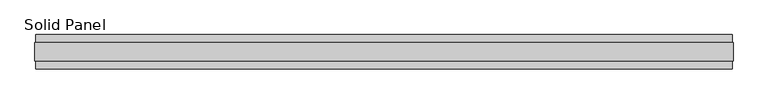
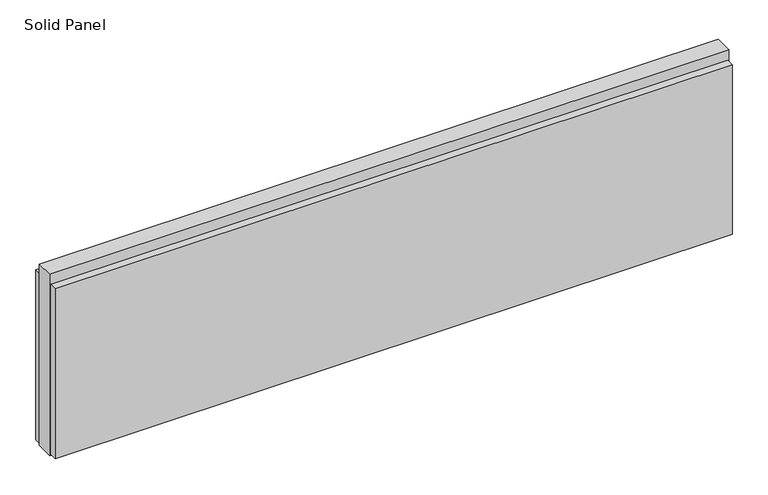
"""IFC4 building model written with IfcOpenShell, lengths in millimetres: plate geometry, Solid Panel."""

from ifc_helpers import new_model, si_unit, frame, origin, origin_with_axes, place, context, project, spatial, polyline, outline, extrude, source, transform, mapped, element, save


def solid_panel_1436f453(model_context):
    return source(origin(), model_context, "Body", "SweptSolid", [
        extrude(outline(polyline([(987.6028012, -48.4531867), (-987.6028012, -48.4531867), (-987.6028012, -25.9961), (987.6028012, -25.9961), (987.6028012, -48.4531867)])), frame((0.0, 0.0, 3.0099), z_axis=(0.0, 0.0, 1.0), x_axis=(1.0, 0.0, 0.0)), (0.0, 0.0, 1.0), 523.7861),
        extrude(outline(polyline([(987.6028012, 25.9977), (-987.6028012, 25.9977), (-987.6028012, 48.4547867), (987.6028012, 48.4547867), (987.6028012, 25.9977)])), frame((0.0, 0.0, 3.0099), z_axis=(0.0, 0.0, 1.0), x_axis=(1.0, 0.0, 0.0)), (0.0, 0.0, 1.0), 523.7861),
        extrude(outline(polyline([(990.6000012, -25.9961), (-990.6000012, -25.9961), (-990.6000012, 25.9977), (990.6000012, 25.9977), (990.6000012, -25.9961)])), origin_with_axes(), (0.0, 0.0, 1.0), 558.8),
    ])


if __name__ == "__main__":
    model = new_model("IFC4")
    model_context = context("Model", 3, world=origin())
    ifc_project = project(units=[si_unit("LENGTHUNIT", "METRE", prefix="MILLI")], contexts=[model_context])
    site = spatial("IfcSite", under=ifc_project)
    building = spatial("IfcBuilding", under=site)
    placement = place(None, origin())
    solid_panel_shape = solid_panel_1436f453(model_context)
    element("IfcPlate", 1, ObjectType="Solid Panel", at=placement, inside=building, context=model_context, shape_type="MappedRepresentation", body=[
        mapped(solid_panel_shape, transform((0.0, 0.0, 0.0), x_axis=(1.0, 0.0, 0.0), y_axis=(0.0, 1.0, 0.0), z_axis=(0.0, 0.0, 1.0))),
    ])
    save(model, "model.ifc")
